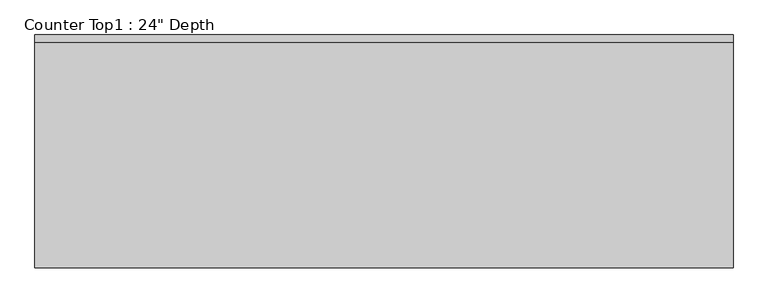
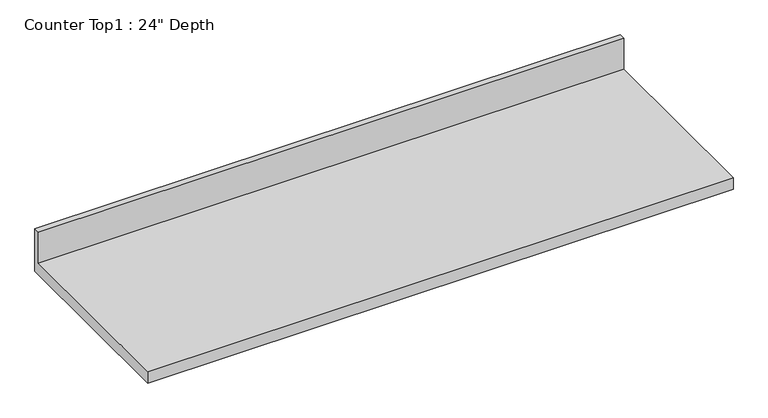
"""IFC4 building model written with IfcOpenShell, lengths in millimetres: furniture geometry."""

from ifc_helpers import new_model, si_unit, frame, origin, place, context, project, spatial, polyline, outline, extrude, source, transform, mapped, element, save


def furniture_327c5acb(model_context):
    return source(origin(), model_context, "Body", "SweptSolid", [
        extrude(outline(polyline([(0.0, 1016.0), (0.0, 876.3), (-609.6, 876.3), (-609.6, 914.4), (-19.05, 914.4), (-19.05, 1016.0), (0.0, 1016.0)])), frame((-1200.4622951, 0.0, 0.0), z_axis=(1.0, 0.0, 0.0), x_axis=(0.0, 1.0, 0.0)), (0.0, 0.0, 1.0), 1828.8),
    ])


if __name__ == "__main__":
    model = new_model("IFC4")
    model_context = context("Model", 3, world=origin())
    ifc_project = project(units=[si_unit("LENGTHUNIT", "METRE", prefix="MILLI")], contexts=[model_context])
    site = spatial("IfcSite", under=ifc_project)
    building = spatial("IfcBuilding", under=site)
    placement = place(None, origin())
    furniture_shape = furniture_327c5acb(model_context)
    element("IfcFurniture", 1, ObjectType="Counter Top1 : 24\" Depth", at=placement, inside=building, context=model_context, shape_type="MappedRepresentation", body=[
        mapped(furniture_shape, transform((0.0, 0.0, 0.0), x_axis=(1.0, 0.0, 0.0), y_axis=(0.0, 1.0, 0.0), z_axis=(0.0, 0.0, 1.0))),
    ])
    save(model, "model.ifc")
